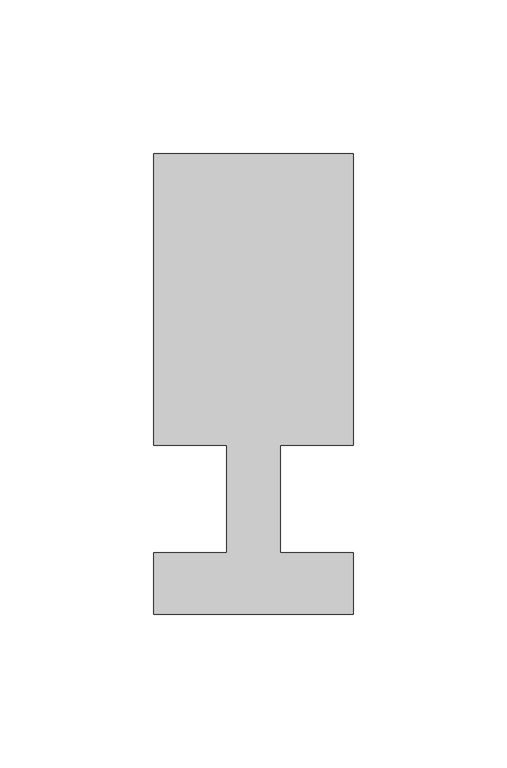
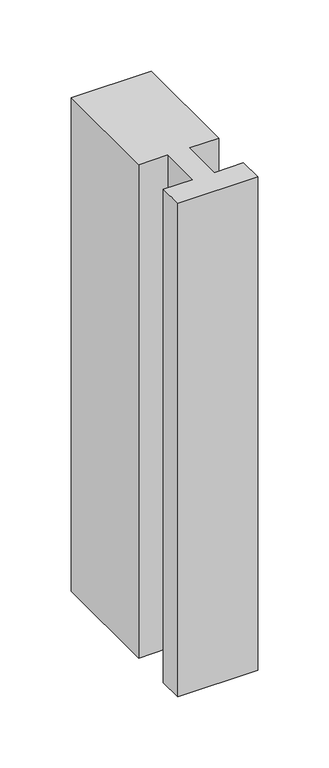
"""IFC4 building model written with IfcOpenShell, lengths in millimetres: member geometry."""

from ifc_helpers import new_model, si_unit, frame, origin, place, context, project, spatial, polyline, outline, extrude, source, transform, mapped, element, save


def member_7d0d9f47(model_context):
    return source(origin(), model_context, "Body", "SweptSolid", [
        extrude(outline(polyline([(-32.5, -37.0), (-32.5, -17.0), (-8.6875, -17.0), (-8.6875, 18.0), (-32.5, 18.0), (-32.5, 113.0), (32.5, 113.0), (32.5, 18.0), (8.6875, 18.0), (8.6875, -17.0), (32.5, -17.0), (32.5, -37.0), (-32.5, -37.0)])), frame((0.0, 0.0, -423.8125), z_axis=(0.0, 0.0, 1.0), x_axis=(1.0, 0.0, 0.0)), (0.0, 0.0, 1.0), 423.8125),
    ])


if __name__ == "__main__":
    model = new_model("IFC4")
    model_context = context("Model", 3, world=origin())
    ifc_project = project(units=[si_unit("LENGTHUNIT", "METRE", prefix="MILLI")], contexts=[model_context])
    site = spatial("IfcSite", under=ifc_project)
    building = spatial("IfcBuilding", under=site)
    placement = place(None, origin())
    member_shape = member_7d0d9f47(model_context)
    element("IfcMember", 1, at=placement, inside=building, context=model_context, shape_type="MappedRepresentation", body=[
        mapped(member_shape, transform((0.0, 0.0, 0.0), x_axis=(1.0, 0.0, 0.0), y_axis=(0.0, 1.0, 0.0), z_axis=(0.0, 0.0, 1.0))),
    ])
    save(model, "model.ifc")
